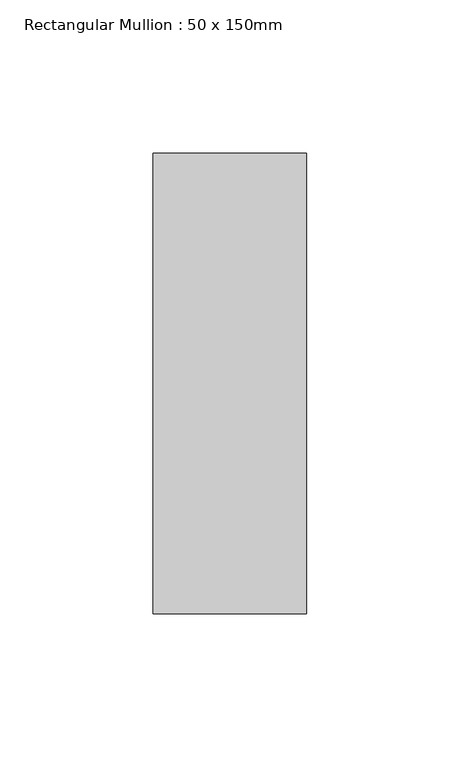
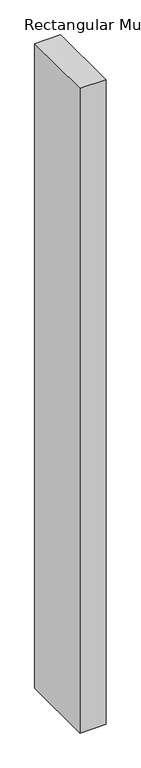
"""IFC4 building model written with IfcOpenShell, lengths in millimetres: member geometry, Rectangular Mullion : 50 x 150mm."""

from ifc_helpers import new_model, si_unit, frame, origin, place, context, project, spatial, polyline, outline, extrude, source, transform, mapped, element, save


def rectangular_mullion_50_x_150mm_44ebb479(model_context):
    return source(origin(), model_context, "Body", "SweptSolid", [
        extrude(outline(polyline([(25.0, 75.0), (25.0, -75.0), (-25.0, -75.0), (-25.0, 75.0), (25.0, 75.0)])), frame((0.0, 0.0, -1306.25), z_axis=(0.0, 0.0, 1.0), x_axis=(1.0, 0.0, 0.0)), (0.0, 0.0, 1.0), 1306.25),
    ])


if __name__ == "__main__":
    model = new_model("IFC4")
    model_context = context("Model", 3, world=origin())
    ifc_project = project(units=[si_unit("LENGTHUNIT", "METRE", prefix="MILLI")], contexts=[model_context])
    site = spatial("IfcSite", under=ifc_project)
    building = spatial("IfcBuilding", under=site)
    placement = place(None, origin())
    rectangular_mullion_50_x_150mm_shape = rectangular_mullion_50_x_150mm_44ebb479(model_context)
    element("IfcMember", 1, ObjectType="Rectangular Mullion : 50 x 150mm", at=placement, inside=building, context=model_context, shape_type="MappedRepresentation", body=[
        mapped(rectangular_mullion_50_x_150mm_shape, transform((0.0, 0.0, 0.0), x_axis=(1.0, 0.0, 0.0), y_axis=(0.0, 1.0, 0.0), z_axis=(0.0, 0.0, 1.0))),
    ])
    save(model, "model.ifc")
